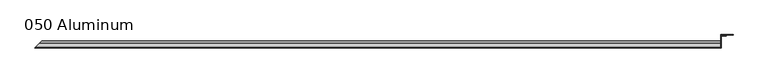
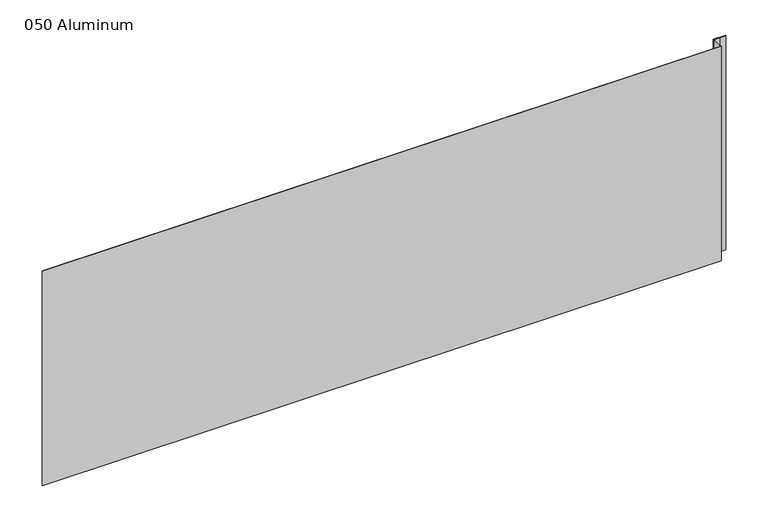
"""IFC4 building model written with IfcOpenShell, lengths in millimetres: plate geometry, 050 Aluminum."""

from ifc_helpers import new_model, si_unit, frame, origin, origin_with_axes, place, context, project, spatial, polyline, circle_curve, ellipse_curve, outline, extrude, source, transform, mapped, element, save
from ifc_brep_helpers import plane_surface, cylinder_surface, revolved_surface, advanced_brep


def plate_050_aluminum_2b53a583(model_context):
    return source(origin(), model_context, "Body", "SolidModel", [
        advanced_brep(
        [(905.5299998, -16.6765477, 13.1458337), (905.5299998, -23.0264743, 13.124237), (905.5299998, -23.0264743, 1.2693678), (905.5299998, -34.7980002, 1.2693678), (905.5299998, -34.7980002, 0.0), (905.5299998, -21.7564743, 0.0), (905.5299998, -21.7564743, 13.124237), (905.5299998, -17.9464915, 13.1323356), (905.5299998, -17.9464915, 2.786437), (905.5299998, -16.6765477, 2.786437), (-936.1765476, -16.6765477, 2.786437), (-936.1765476, -16.6765477, 13.1458337), (-937.4464913, -17.9464915, 2.786437), (-937.4464913, -17.9464915, 13.1323356), (-941.2564741, -21.7564743, 13.124237), (-941.2564741, -21.7564743, 0.0), (-954.2979998, -34.7980002, 0.0), (-954.2979998, -34.7980002, 1.2693678), (-942.5264741, -23.0264743, 1.2693678), (-942.5264741, -23.0264743, 13.124237)],
        [
            (0, 1, circle_curve(frame((905.5299998, -19.8514743, 13.124237), z_axis=(1.0, 0.0, 0.0), x_axis=(0.0, 0.0, -1.0)), 3.175)),
            (1, 2),
            (2, 3),
            (3, 4),
            (4, 5),
            (5, 6),
            (6, 7, circle_curve(frame((905.5299998, -19.8514743, 13.124237), z_axis=(-1.0, 0.0, 0.0), x_axis=(0.0, 0.0, -1.0)), 1.905)),
            (7, 8),
            (8, 9),
            (9, 0),
            (9, 10),
            (10, 11),
            (11, 0),
            (8, 12),
            (12, 10),
            (7, 13),
            (13, 12),
            (6, 14),
            (14, 13, ellipse_curve(frame((-939.3514741, -19.8514743, 13.124237), z_axis=(-0.7071067811865467, 0.7071067811865485, 0.0), x_axis=(0.7071067811865482, 0.7071067811865468, 0.0)), 2.6940768, 1.905)),
            (5, 15),
            (15, 14),
            (4, 16),
            (16, 15),
            (3, 17),
            (17, 16),
            (2, 18),
            (18, 17),
            (1, 19),
            (19, 18),
            (11, 19, ellipse_curve(frame((-939.3514741, -19.8514743, 13.124237), z_axis=(0.7071067811865467, -0.7071067811865485, 0.0), x_axis=(-0.7071067811865482, -0.7071067811865468, 0.0)), 4.4901281, 3.175)),
        ],
        [
            plane_surface(frame((905.5299998, -36.068, 0.0), z_axis=(1.0, 0.0, 0.0), x_axis=(0.0, 0.0, 1.0))),
            plane_surface(frame((-954.2979998, -16.6765477, 13.1458337), z_axis=(0.0, 1.0, 0.0), x_axis=(1.0, 0.0, 0.0))),
            plane_surface(frame((-954.2979998, -16.6765477, 2.786437), z_axis=(0.0, 0.0, -1.0), x_axis=(1.0, 0.0, 0.0))),
            plane_surface(frame((-954.2979998, -17.9464915, 2.786437), z_axis=(0.0, -1.0, 0.0), x_axis=(1.0, 0.0, 0.0))),
            revolved_surface(polyline([(905.5299998000002, -19.8514743, 11.219237000000001), (-941.2564741, -19.8514743, 11.219237000000001)]), (-954.2979998, -19.8514743, 13.124237), (1.0, 0.0, 0.0)),
            plane_surface(frame((-954.2979998, -21.7564743, 13.124237), z_axis=(0.0, 1.0, 0.0), x_axis=(1.0, 0.0, 0.0))),
            plane_surface(frame((-954.2979998, -21.7564743, 0.0), z_axis=(0.0, 0.0, -1.0), x_axis=(1.0, 0.0, 0.0))),
            plane_surface(frame((-954.2979998, -34.7980002, 0.0), z_axis=(0.0, -1.0, 0.0), x_axis=(1.0, 0.0, 0.0))),
            plane_surface(frame((-954.2979998, -34.7980002, 1.2693678), z_axis=(0.0, 0.0, 1.0), x_axis=(1.0, 0.0, 0.0))),
            plane_surface(frame((-954.2979998, -23.0264743, 1.2693678), z_axis=(0.0, -1.0, 0.0), x_axis=(1.0, 0.0, 0.0))),
            cylinder_surface(frame((-954.2979998, -19.8514743, 13.124237), z_axis=(-1.0, 0.0, 0.0), x_axis=(0.0, 0.0, -1.0)), 3.175),
            plane_surface(frame((-955.5679998, -36.068, 795.4549971), z_axis=(-0.7071067811865467, 0.7071067811865485, 0.0), x_axis=(0.0, 0.0, -1.0))),
        ],
        [
            (0, [[1, 2, 3, 4, 5, 6, 7, 8, 9, 10]]),
            (1, [[-10, 11, 12, 13]]),
            (2, [[-9, 14, 15, -11]]),
            (3, [[-8, 16, 17, -14]]),
            (4, [[-7, 18, 19, -16]]),
            (5, [[-6, 20, 21, -18]]),
            (6, [[-5, 22, 23, -20]]),
            (7, [[-4, 24, 25, -22]]),
            (8, [[-3, 26, 27, -24]]),
            (9, [[-2, 28, 29, -26]]),
            (10, [[-1, -13, 30, -28]]),
            (11, [[-12, -15, -17, -19, -21, -23, -25, -27, -29, -30]]),
        ],
    ),
        extrude(outline(polyline([(906.7999998, -34.7980001), (906.7999998, -36.068), (-955.5679998, -36.068), (-954.2979999, -34.7980001), (906.7999998, -34.7980001)])), origin_with_axes(), (0.0, 0.0, 1.0), 622.3),
        extrude(outline(polyline([(906.7999998, -1.2699999), (906.7999998, -34.7980002), (905.5299999, -34.7980002), (905.5299999, 0.0), (939.3120855, 0.0), (939.3120855, -1.2699999), (906.7999998, -1.2699999)])), origin_with_axes(), (0.0, 0.0, 1.0), 621.03),
        extrude(outline(polyline([(905.5299998, -3.3274743), (905.5299998, -2.0574743), (921.2779998, -2.0574743), (921.2779998, -3.3274743), (905.5299998, -3.3274743)])), origin_with_axes(), (0.0, 0.0, 1.0), 622.3),
    ])


if __name__ == "__main__":
    model = new_model("IFC4")
    model_context = context("Model", 3, world=origin())
    ifc_project = project(units=[si_unit("LENGTHUNIT", "METRE", prefix="MILLI")], contexts=[model_context])
    site = spatial("IfcSite", under=ifc_project)
    building = spatial("IfcBuilding", under=site)
    placement = place(None, origin())
    plate_050_aluminum_shape = plate_050_aluminum_2b53a583(model_context)
    element("IfcPlate", 1, ObjectType="050 Aluminum", at=placement, inside=building, context=model_context, shape_type="MappedRepresentation", body=[
        mapped(plate_050_aluminum_shape, transform((0.0, 0.0, 0.0), x_axis=(1.0, 0.0, 0.0), y_axis=(0.0, 1.0, 0.0), z_axis=(0.0, 0.0, 1.0))),
    ])
    save(model, "model.ifc")
